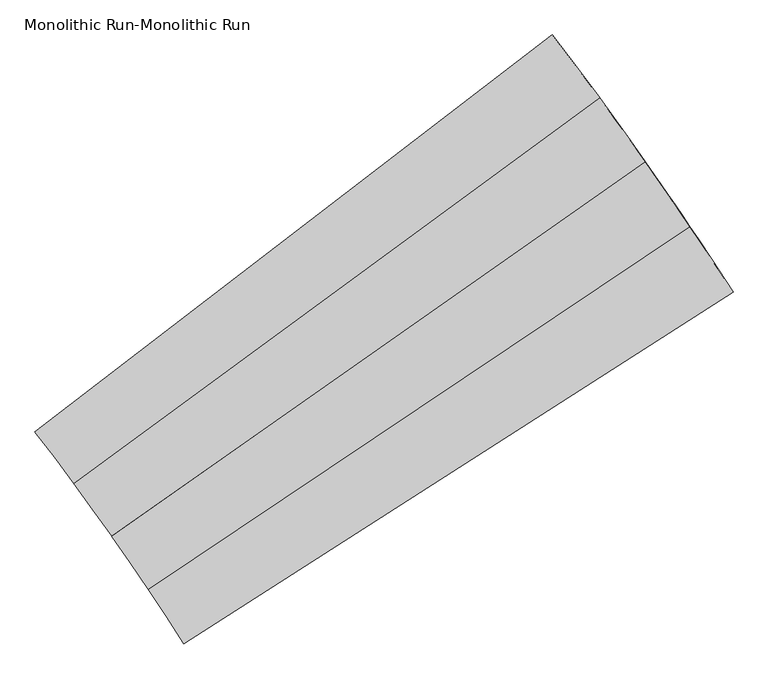
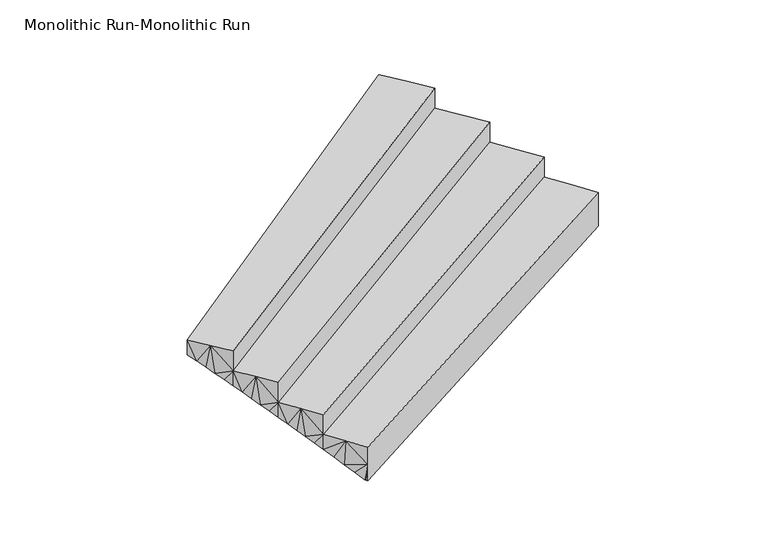
"""IFC4 building model written with IfcOpenShell, lengths in millimetres: stair geometry, Monolithic Run-Monolithic Run."""

from ifc_helpers import new_model, si_unit, origin, place, context, project, spatial, faceted_brep, source, transform, mapped, element, save


def monolithic_run_monolithic_run_d28d5f15(model_context):
    return source(origin(), model_context, "Body", "Brep", [
        faceted_brep([(3114.5853009, 1771.0393922, 1596.5714286), (3014.5876819, 1921.8728356, 1596.5714286), (523.0343826, 250.8964274, 1596.5714286), (605.385363, 126.6806504, 1596.5714286), (686.4093802, 1.5952722, 1596.5714286), (3212.9716075, 1619.1500044, 1596.5714286), (523.0343826, 250.8964274, 1487.3267334), (561.7518573, 192.8535824, 1453.352194), (600.1795865, 134.6185043, 1419.3776546), (686.4093802, 1.5952722, 1474.0), (681.2884009, 9.5880889, 1351.4285714), (686.4093802, 1.5952722, 1351.4285714), (638.3166162, 76.1926391, 1385.403115), (676.1620032, 17.5774314, 1351.4285714), (3212.9716075, 1619.1500044, 1351.4285714), (3212.9716075, 1619.1500044, 1474.0), (3200.5283641, 1638.5569119, 1351.4285714), (3163.7926509, 1695.5157216, 1378.6081997), (3206.7532755, 1628.8555674, 1351.4285714), (3126.8301325, 1752.3276273, 1405.7878331), (3089.6414035, 1808.9917149, 1432.9674665), (3052.2270551, 1865.5070838, 1460.1471), (3014.5876819, 1921.8728356, 1487.3267334), (2912.9900826, 2071.6332418, 1741.7142857), (2809.8040163, 2220.3036396, 1741.7142857), (354.3890109, 496.6629718, 1741.7142857), (439.3657714, 374.2285266, 1741.7142857), (523.0343826, 250.8964274, 1741.7142857), (3014.5876819, 1921.8728356, 1741.7142857), (388.5360723, 447.7978137, 1603.4410258), (354.3890109, 496.6629718, 1632.4695906), (422.4747595, 398.7876818, 1574.4124527), (456.2044473, 349.6334789, 1545.3838796), (489.7245243, 300.3360961, 1516.3553065), (2980.8990258, 1971.9130387, 1511.51721), (2912.9900812, 2071.6332439, 1559.898163), (2947.0330167, 2021.8333843, 1535.7076865), (2878.7706478, 2121.3119905, 1584.0886396), (2844.3751475, 2170.8689984, 1608.2791161), (2809.8040163, 2220.3036396, 1632.4695906), (2705.0411762, 2367.8671812, 1886.8571429), (2598.7134345, 2514.3071443, 1886.8571429), (180.5497083, 738.7835051, 1886.8571429), (268.1137309, 618.1858884, 1886.8571429), (354.3890109, 496.6629718, 1886.8571429), (2809.8040163, 2220.3036396, 1886.8571429), (215.7293266, 690.6563824, 1748.5838829), (180.5497083, 738.7835051, 1777.6124477), (250.7037044, 642.3798829, 1719.5553098), (285.4721973, 593.9548954, 1690.5267367), (320.0341751, 545.3822982, 1661.4981637), (2775.0576836, 2269.6152999, 1656.6600671), (2705.0411748, 2367.8671832, 1705.0410202), (2740.1365898, 2318.8033542, 1680.8505436), (2669.7718802, 2416.8061691, 1729.2314967), (2634.3291504, 2465.6196957, 1753.4219732), (2598.7134345, 2514.3071443, 1777.6124477), (2490.8328404, 2659.6069339, 2032.0), (2381.4116193, 2803.7500844, 2032.0), (1.5952722, 977.1482793, 2032.0), (91.7068661, 858.4421554, 2032.0), (180.5497083, 738.7835051, 2032.0), (2598.7134345, 2514.3071443, 2032.0), (37.7915014, 929.7810071, 1893.72674), (1.5952722, 977.1482793, 1922.7553049), (73.7857166, 882.2600225, 1864.698167), (109.5772549, 834.5862005, 1835.6695939), (145.1654672, 786.7604057, 1806.6410208), (2562.925175, 2562.8679099, 1801.8029242), (2490.8328389, 2659.606936, 1850.1838773), (2526.9648255, 2611.3013771, 1825.9934008), (2454.52967, 2707.7839783, 1874.3743538), (2418.055776, 2755.8318975, 1898.5648304), (2381.4116193, 2803.7500844, 1922.7553049), (1852.5635422, 2397.8385722, 1922.7553049), (1588.1395036, 2194.882816, 1922.7553049), (1323.715465, 1991.9270599, 1922.7553049), (1059.2914265, 1788.9713038, 1922.7553049), (794.8673879, 1586.0155477, 1922.7553049), (530.4433494, 1383.0597916, 1922.7553049), (1237.1323057, 377.7950937, 1351.4285714), (1440.8901201, 1561.8085272, 1741.3267376), (1753.4732238, 1109.2107455, 1499.4219833), (1517.6174569, 557.9039249, 1351.4285714), (2359.0729105, 1098.2304184, 1351.4285714), (1597.8768745, 1335.9609212, 1620.3743587), (2639.5580617, 1278.3392496, 1351.4285714)], [[[0, 1, 2, 3, 4, 5]], [[6, 3, 2]], [[3, 6, 7]], [[3, 7, 8]], [[3, 9, 4]], [[10, 11, 9]], [[9, 3, 8]], [[12, 13, 9]], [[13, 10, 9]], [[12, 9, 8]], [[5, 4, 9, 11, 14, 15]], [[16, 17, 15]], [[14, 18, 15]], [[18, 16, 15]], [[19, 0, 15]], [[19, 15, 17]], [[20, 21, 0]], [[19, 20, 0]], [[21, 1, 0]], [[1, 21, 22]], [[0, 5, 15]], [[23, 24, 25, 26, 27, 28]], [[29, 26, 25]], [[25, 30, 29]], [[26, 29, 31]], [[31, 32, 26]], [[26, 32, 2]], [[2, 32, 33]], [[2, 33, 6]], [[27, 26, 2]], [[28, 27, 2, 1]], [[22, 34, 1]], [[23, 28, 1, 35]], [[36, 1, 34]], [[35, 1, 36]], [[37, 38, 23]], [[35, 37, 23]], [[38, 24, 23]], [[24, 38, 39]], [[40, 41, 42, 43, 44, 45]], [[46, 43, 42]], [[42, 47, 46]], [[43, 46, 48]], [[48, 49, 43]], [[43, 49, 25]], [[25, 49, 50]], [[25, 50, 30]], [[44, 43, 25]], [[45, 44, 25, 24]], [[39, 51, 24]], [[40, 45, 24, 52]], [[53, 24, 51]], [[52, 24, 53]], [[54, 55, 40]], [[52, 54, 40]], [[55, 41, 40]], [[41, 55, 56]], [[57, 58, 59, 60, 61, 62]], [[63, 60, 59]], [[59, 64, 63]], [[60, 63, 65]], [[65, 66, 60]], [[60, 66, 42]], [[42, 66, 67]], [[42, 67, 47]], [[61, 60, 42]], [[62, 61, 42, 41]], [[56, 68, 41]], [[57, 62, 41, 69]], [[70, 41, 68]], [[69, 41, 70]], [[71, 72, 57]], [[69, 71, 57]], [[72, 58, 57]], [[58, 72, 73]], [[58, 73, 74, 75, 76, 77, 78, 79, 64, 59]], [[13, 12, 80]], [[47, 81, 46]], [[82, 83, 8]], [[83, 80, 8]], [[83, 82, 84]], [[12, 8, 80]], [[31, 82, 32]], [[85, 31, 29]], [[82, 31, 85]], [[82, 34, 22]], [[7, 6, 82]], [[8, 7, 82]], [[29, 30, 85]], [[17, 16, 86]], [[19, 86, 84]], [[38, 37, 85]], [[6, 33, 82]], [[20, 19, 84]], [[17, 86, 19]], [[82, 33, 32]], [[20, 84, 82]], [[82, 22, 21]], [[82, 21, 20]], [[85, 30, 50]], [[36, 34, 82]], [[36, 82, 35]], [[35, 82, 85]], [[35, 85, 37]], [[85, 39, 38]], [[51, 39, 85]], [[47, 67, 81]], [[67, 66, 81]], [[48, 81, 49]], [[81, 85, 49]], [[46, 81, 48]], [[66, 77, 81]], [[79, 65, 63]], [[64, 79, 63]], [[54, 52, 81]], [[77, 66, 78]], [[78, 65, 79]], [[81, 77, 76]], [[66, 65, 78]], [[76, 70, 81]], [[53, 85, 81]], [[52, 53, 81]], [[54, 81, 55]], [[81, 56, 55]], [[68, 56, 81]], [[51, 85, 53]], [[70, 76, 69]], [[68, 81, 70]], [[71, 75, 74]], [[72, 74, 73]], [[69, 75, 71]], [[71, 74, 72]], [[75, 69, 76]], [[50, 49, 85]], [[11, 10, 13, 80, 83, 84, 86, 16, 18, 14]]]),
    ])


if __name__ == "__main__":
    model = new_model("IFC4")
    model_context = context("Model", 3, world=origin())
    ifc_project = project(units=[si_unit("LENGTHUNIT", "METRE", prefix="MILLI")], contexts=[model_context])
    site = spatial("IfcSite", under=ifc_project)
    building = spatial("IfcBuilding", under=site)
    placement = place(None, origin())
    monolithic_run_monolithic_run_shape = monolithic_run_monolithic_run_d28d5f15(model_context)
    element("IfcStair", 1, ObjectType="Monolithic Run-Monolithic Run", at=placement, inside=building, context=model_context, shape_type="MappedRepresentation", body=[
        mapped(monolithic_run_monolithic_run_shape, transform((0.0, 0.0, 0.0), x_axis=(1.0, 0.0, 0.0), y_axis=(0.0, 1.0, 0.0), z_axis=(0.0, 0.0, 1.0))),
    ])
    save(model, "model.ifc")
